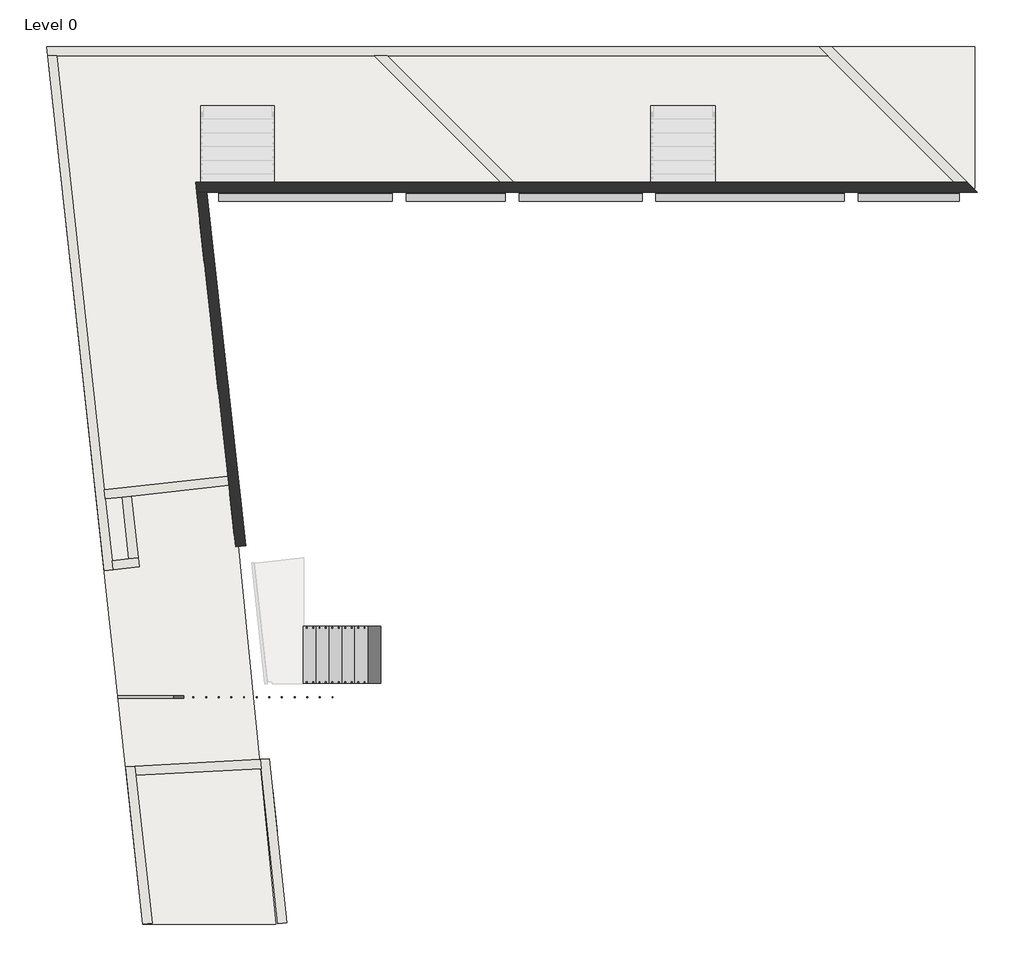
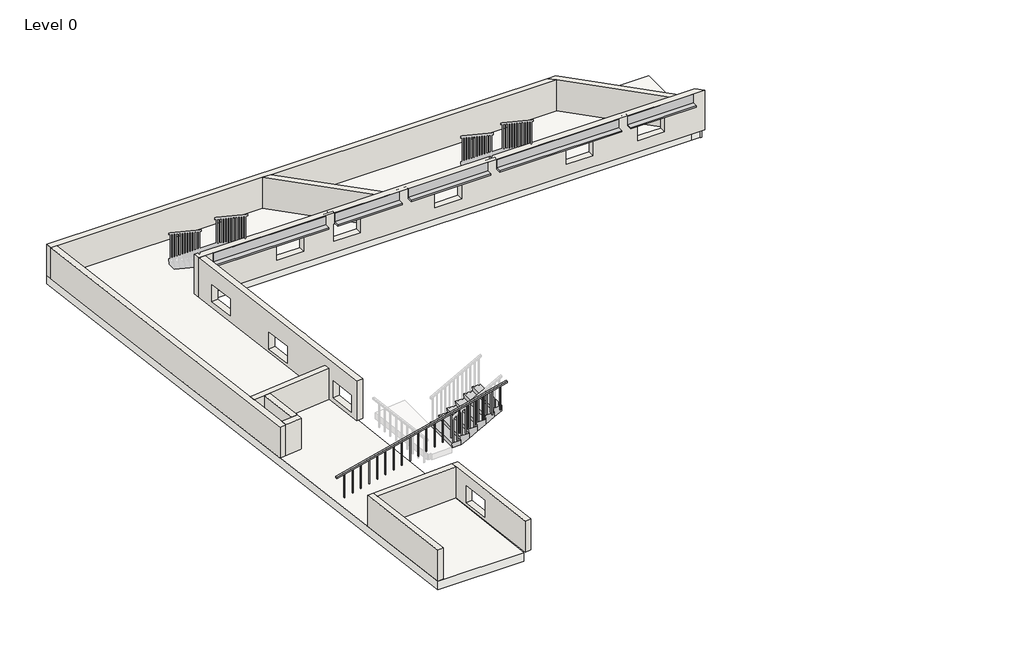
# One storey, part 1 of 2: 12 walls, 5 beams, 1 railing, 1 slab, 1 stair flight.
"""IFC4 building model written with IfcOpenShell, lengths in millimetres."""

from ifc_helpers import new_model, si_unit, frame, origin, origin_with_axes, place, context, project, spatial, polyline, outline, extrude, faceted_brep, element, save

model = new_model("IFC4")

# Units and contexts
model_context = context("Model", 3, world=origin())
ifc_project = project(units=[si_unit("LENGTHUNIT", "METRE", prefix="MILLI")], contexts=[model_context])

# Site, building, storey
site = spatial("IfcSite", under=ifc_project)
building = spatial("IfcBuilding", under=site)
storey = spatial("IfcBuildingStorey", under=building, Name="Level 0", Elevation=0.0)

# Beams
placement = place(None, origin())
element("IfcBeam", 1, ObjectType="Concrete-Rectangular Beam : 350 x 350mm 2", at=placement, inside=storey, context=model_context, shape_type="Brep", body=[
    faceted_brep([(4100.0, 216.0, 1400.0), (-215.5522388, 216.0, 1400.0), (-215.5522388, 56.0, 1400.0), (-175.0, 56.0, 1400.0), (-175.0, 175.0, 1400.0), (175.0, 175.0, 1400.0), (175.0, 41.0, 1400.0), (3953.5, 41.0, 1400.0), (3953.5, 146.0, 1400.0), (4100.0, 146.0, 1400.0), (175.0, -134.0, 1050.0), (3953.5, -134.0, 1050.0), (3953.5, -134.0, 1100.0), (175.0, -134.0, 1100.0), (-215.5522388, 216.0, 1050.0), (4100.0, 216.0, 1050.0), (4100.0, 146.0, 1050.0), (3953.5, 146.0, 1050.0), (175.0, 175.0, 1050.0), (-175.0, 175.0, 1050.0), (-175.0, 56.0, 1050.0), (-215.5522388, 56.0, 1050.0), (175.0, 41.0, 1100.0), (3953.5, 41.0, 1100.0)], [[[0, 1, 2, 3, 4, 5, 6, 7, 8, 9]], [[10, 11, 12, 13]], [[14, 15, 16, 17, 11, 10, 18, 19, 20, 21]], [[1, 0, 15, 14]], [[15, 0, 9, 16]], [[18, 5, 4, 19]], [[5, 18, 10, 13, 22, 6]], [[8, 17, 16, 9]], [[17, 8, 7, 23, 12, 11]], [[1, 14, 21, 2]], [[19, 4, 3, 20]], [[23, 22, 13, 12]], [[22, 23, 7, 6]], [[3, 2, 21, 20]]]),
])
element("IfcBeam", 2, ObjectType="Concrete-Rectangular Beam : 350 x 350mm 2", at=placement, inside=storey, context=model_context, shape_type="Brep", body=[
    faceted_brep([(6580.0, 216.0, 1400.0), (4100.0, 216.0, 1400.0), (4100.0, 146.0, 1400.0), (4253.5, 146.0, 1400.0), (4253.5, 41.0, 1400.0), (6416.0, 41.0, 1400.0), (6416.0, 166.0, 1400.0), (6580.0, 166.0, 1400.0), (4253.5, -134.0, 1050.0), (6416.0, -134.0, 1050.0), (6416.0, -134.0, 1100.0), (4253.5, -134.0, 1100.0), (4100.0, 216.0, 1050.0), (6580.0, 216.0, 1050.0), (6580.0, 166.0, 1050.0), (6416.0, 166.0, 1050.0), (4253.5, 146.0, 1050.0), (4100.0, 146.0, 1050.0), (4253.5, 41.0, 1100.0), (6416.0, 41.0, 1100.0)], [[[0, 1, 2, 3, 4, 5, 6, 7]], [[8, 9, 10, 11]], [[12, 13, 14, 15, 9, 8, 16, 17]], [[1, 0, 13, 12]], [[1, 12, 17, 2]], [[13, 0, 7, 14]], [[16, 3, 2, 17]], [[3, 16, 8, 11, 18, 4]], [[6, 15, 14, 7]], [[15, 6, 5, 19, 10, 9]], [[19, 18, 11, 10]], [[18, 19, 5, 4]]]),
])
element("IfcBeam", 3, ObjectType="Concrete-Rectangular Beam : 350 x 350mm 2", at=placement, inside=storey, context=model_context, shape_type="Brep", body=[
    faceted_brep([(9540.5, 216.0, 1400.0), (6580.0, 216.0, 1400.0), (6580.0, 166.0, 1400.0), (6716.0, 166.0, 1400.0), (6716.0, 41.0, 1400.0), (9390.5, 41.0, 1400.0), (9390.5, 166.0, 1400.0), (9540.5, 166.0, 1400.0), (6716.0, -134.0, 1050.0), (9390.5, -134.0, 1050.0), (9390.5, -134.0, 1100.0), (6716.0, -134.0, 1100.0), (6580.0, 216.0, 1050.0), (9540.5, 216.0, 1050.0), (9540.5, 166.0, 1050.0), (9390.5, 166.0, 1050.0), (6716.0, 166.0, 1050.0), (6580.0, 166.0, 1050.0), (6716.0, 41.0, 1100.0), (9390.5, 41.0, 1100.0)], [[[0, 1, 2, 3, 4, 5, 6, 7]], [[8, 9, 10, 11]], [[12, 13, 14, 15, 9, 8, 16, 17]], [[1, 0, 13, 12]], [[1, 12, 17, 2]], [[13, 0, 7, 14]], [[16, 3, 2, 17]], [[3, 16, 8, 11, 18, 4]], [[6, 15, 14, 7]], [[15, 6, 5, 19, 10, 9]], [[19, 18, 11, 10]], [[18, 19, 5, 4]]]),
])
element("IfcBeam", 4, ObjectType="Concrete-Rectangular Beam : 350 x 350mm 2", at=placement, inside=storey, context=model_context, shape_type="Brep", body=[
    faceted_brep([(13940.5, 216.0, 1400.0), (9540.5, 216.0, 1400.0), (9540.5, 166.0, 1400.0), (9690.5, 166.0, 1400.0), (9690.5, 41.0, 1400.0), (13788.5, 41.0, 1400.0), (13788.5, 146.0, 1400.0), (13940.5, 146.0, 1400.0), (9690.5, -134.0, 1050.0), (13788.5, -134.0, 1050.0), (13788.5, -134.0, 1100.0), (9690.5, -134.0, 1100.0), (9540.5, 216.0, 1050.0), (13940.5, 216.0, 1050.0), (13940.5, 146.0, 1050.0), (13788.5, 146.0, 1050.0), (9690.5, 166.0, 1050.0), (9540.5, 166.0, 1050.0), (9690.5, 41.0, 1100.0), (13788.5, 41.0, 1100.0)], [[[0, 1, 2, 3, 4, 5, 6, 7]], [[8, 9, 10, 11]], [[12, 13, 14, 15, 9, 8, 16, 17]], [[1, 0, 13, 12]], [[1, 12, 17, 2]], [[13, 0, 7, 14]], [[16, 3, 2, 17]], [[3, 16, 8, 11, 18, 4]], [[6, 15, 14, 7]], [[15, 6, 5, 19, 10, 9]], [[19, 18, 11, 10]], [[18, 19, 5, 4]]]),
])
element("IfcBeam", 5, ObjectType="Concrete-Rectangular Beam : 350 x 350mm 2", at=placement, inside=storey, context=model_context, shape_type="Brep", body=[
    faceted_brep([(16434.0, 216.0, 1400.0), (13940.5, 216.0, 1400.0), (13940.5, 146.0, 1400.0), (14088.5, 146.0, 1400.0), (14088.5, 41.0, 1400.0), (16284.0, 41.0, 1400.0), (16284.0, 166.0, 1400.0), (16434.0, 166.0, 1400.0), (14088.5, -134.0, 1050.0), (16284.0, -134.0, 1050.0), (16284.0, -134.0, 1100.0), (14088.5, -134.0, 1100.0), (13940.5, 216.0, 1050.0), (16434.0, 216.0, 1050.0), (16434.0, 166.0, 1050.0), (16284.0, 166.0, 1050.0), (14088.5, 146.0, 1050.0), (13940.5, 146.0, 1050.0), (14088.5, 41.0, 1100.0), (16284.0, 41.0, 1100.0)], [[[0, 1, 2, 3, 4, 5, 6, 7]], [[8, 9, 10, 11]], [[12, 13, 14, 15, 9, 8, 16, 17]], [[1, 0, 13, 12]], [[1, 12, 17, 2]], [[13, 0, 7, 14]], [[16, 3, 2, 17]], [[3, 16, 8, 11, 18, 4]], [[6, 15, 14, 7]], [[15, 6, 5, 19, 10, 9]], [[19, 18, 11, 10]], [[18, 19, 5, 4]]]),
])

# Railing
element("IfcRailing", 6, ObjectType="900mm", at=placement, inside=storey, context=model_context, shape_type="SweptSolid", body=[
    extrude(outline(polyline([(900.0, -2020.7492582), (848.5251424, -2020.7492582), (2248.5251424, 3701.1968697), (2300.0, 3701.1968697), (900.0, -2020.7492582)])), frame((0.0, -10948.3406474, 0.0), z_axis=(0.0, 1.0, 0.0), x_axis=(0.0, 0.0, 1.0)), (0.0, 0.0, 1.0), 50.0),
    extrude(outline(polyline([(2191.7744195, 3469.2507418), (1345.6959971, 3469.2507418), (1345.6959971, 3489.2507418), (2196.6678595, 3489.2507418), (2191.7744195, 3469.2507418)])), frame((0.0, -10933.3406474, 0.0), z_axis=(0.0, 1.0, 0.0), x_axis=(0.0, 0.0, 1.0)), (0.0, 0.0, 1.0), 20.0),
    extrude(outline(polyline([(2124.4896196, 3194.2507418), (1278.4111973, 3194.2507418), (1278.4111973, 3214.2507418), (2129.3830596, 3214.2507418), (2124.4896196, 3194.2507418)])), frame((0.0, -10933.3406474, 0.0), z_axis=(0.0, 1.0, 0.0), x_axis=(0.0, 0.0, 1.0)), (0.0, 0.0, 1.0), 20.0),
    extrude(outline(polyline([(2057.2048198, 2919.2507418), (1211.1263974, 2919.2507418), (1211.1263974, 2939.2507418), (2062.0982598, 2939.2507418), (2057.2048198, 2919.2507418)])), frame((0.0, -10933.3406474, 0.0), z_axis=(0.0, 1.0, 0.0), x_axis=(0.0, 0.0, 1.0)), (0.0, 0.0, 1.0), 20.0),
    extrude(outline(polyline([(1989.9200199, 2644.2507418), (1143.8415975, 2644.2507418), (1143.8415975, 2664.2507418), (1994.8134599, 2664.2507418), (1989.9200199, 2644.2507418)])), frame((0.0, -10933.3406474, 0.0), z_axis=(0.0, 1.0, 0.0), x_axis=(0.0, 0.0, 1.0)), (0.0, 0.0, 1.0), 20.0),
    extrude(outline(polyline([(1922.6352201, 2369.2507418), (1076.5567977, 2369.2507418), (1076.5567977, 2389.2507418), (1927.5286601, 2389.2507418), (1922.6352201, 2369.2507418)])), frame((0.0, -10933.3406474, 0.0), z_axis=(0.0, 1.0, 0.0), x_axis=(0.0, 0.0, 1.0)), (0.0, 0.0, 1.0), 20.0),
    extrude(outline(polyline([(1855.3504202, 2094.2507418), (1009.2719978, 2094.2507418), (1009.2719978, 2114.2507418), (1860.2438602, 2114.2507418), (1855.3504202, 2094.2507418)])), frame((0.0, -10933.3406474, 0.0), z_axis=(0.0, 1.0, 0.0), x_axis=(0.0, 0.0, 1.0)), (0.0, 0.0, 1.0), 20.0),
    extrude(outline(polyline([(1788.0656204, 1819.2507418), (941.987198, 1819.2507418), (941.987198, 1839.2507418), (1792.9590603, 1839.2507418), (1788.0656204, 1819.2507418)])), frame((0.0, -10933.3406474, 0.0), z_axis=(0.0, 1.0, 0.0), x_axis=(0.0, 0.0, 1.0)), (0.0, 0.0, 1.0), 20.0),
    extrude(outline(polyline([(1720.7808205, 1544.2507418), (874.7023981, 1544.2507418), (874.7023981, 1564.2507418), (1725.6742605, 1564.2507418), (1720.7808205, 1544.2507418)])), frame((0.0, -10933.3406474, 0.0), z_axis=(0.0, 1.0, 0.0), x_axis=(0.0, 0.0, 1.0)), (0.0, 0.0, 1.0), 20.0),
    extrude(outline(polyline([(1653.4960206, 1269.2507418), (807.4175983, 1269.2507418), (807.4175983, 1289.2507418), (1658.3894606, 1289.2507418), (1653.4960206, 1269.2507418)])), frame((0.0, -10933.3406474, 0.0), z_axis=(0.0, 1.0, 0.0), x_axis=(0.0, 0.0, 1.0)), (0.0, 0.0, 1.0), 20.0),
    extrude(outline(polyline([(1586.2112208, 994.2507418), (740.1327984, 994.2507418), (740.1327984, 1014.2507418), (1591.1046608, 1014.2507418), (1586.2112208, 994.2507418)])), frame((0.0, -10933.3406474, 0.0), z_axis=(0.0, 1.0, 0.0), x_axis=(0.0, 0.0, 1.0)), (0.0, 0.0, 1.0), 20.0),
    extrude(outline(polyline([(1518.9264209, 719.2507418), (672.8479986, 719.2507418), (672.8479986, 739.2507418), (1523.8198609, 739.2507418), (1518.9264209, 719.2507418)])), frame((0.0, -10933.3406474, 0.0), z_axis=(0.0, 1.0, 0.0), x_axis=(0.0, 0.0, 1.0)), (0.0, 0.0, 1.0), 20.0),
    extrude(outline(polyline([(1451.6416211, 444.2507418), (605.5631987, 444.2507418), (605.5631987, 464.2507418), (1456.5350611, 464.2507418), (1451.6416211, 444.2507418)])), frame((0.0, -10933.3406474, 0.0), z_axis=(0.0, 1.0, 0.0), x_axis=(0.0, 0.0, 1.0)), (0.0, 0.0, 1.0), 20.0),
    extrude(outline(polyline([(1384.3568212, 169.2507418), (538.2783988, 169.2507418), (538.2783988, 189.2507418), (1389.2502612, 189.2507418), (1384.3568212, 169.2507418)])), frame((0.0, -10933.3406474, 0.0), z_axis=(0.0, 1.0, 0.0), x_axis=(0.0, 0.0, 1.0)), (0.0, 0.0, 1.0), 20.0),
    extrude(outline(polyline([(1317.0720214, -105.7492582), (470.993599, -105.7492582), (470.993599, -85.7492582), (1321.9654614, -85.7492582), (1317.0720214, -105.7492582)])), frame((0.0, -10933.3406474, 0.0), z_axis=(0.0, 1.0, 0.0), x_axis=(0.0, 0.0, 1.0)), (0.0, 0.0, 1.0), 20.0),
    extrude(outline(polyline([(1249.7872215, -380.7492582), (403.7087991, -380.7492582), (403.7087991, -360.7492582), (1254.6806615, -360.7492582), (1249.7872215, -380.7492582)])), frame((0.0, -10933.3406474, 0.0), z_axis=(0.0, 1.0, 0.0), x_axis=(0.0, 0.0, 1.0)), (0.0, 0.0, 1.0), 20.0),
    extrude(outline(polyline([(1182.5024217, -655.7492582), (336.4239993, -655.7492582), (336.4239993, -635.7492582), (1187.3958616, -635.7492582), (1182.5024217, -655.7492582)])), frame((0.0, -10933.3406474, 0.0), z_axis=(0.0, 1.0, 0.0), x_axis=(0.0, 0.0, 1.0)), (0.0, 0.0, 1.0), 20.0),
    extrude(outline(polyline([(1115.2176218, -930.7492582), (269.1391994, -930.7492582), (269.1391994, -910.7492582), (1120.1110618, -910.7492582), (1115.2176218, -930.7492582)])), frame((0.0, -10933.3406474, 0.0), z_axis=(0.0, 1.0, 0.0), x_axis=(0.0, 0.0, 1.0)), (0.0, 0.0, 1.0), 20.0),
    extrude(outline(polyline([(1047.9328219, -1205.7492582), (201.8543996, -1205.7492582), (201.8543996, -1185.7492582), (1052.8262619, -1185.7492582), (1047.9328219, -1205.7492582)])), frame((0.0, -10933.3406474, 0.0), z_axis=(0.0, 1.0, 0.0), x_axis=(0.0, 0.0, 1.0)), (0.0, 0.0, 1.0), 20.0),
    extrude(outline(polyline([(980.6480221, -1480.7492582), (134.5695997, -1480.7492582), (134.5695997, -1460.7492582), (985.5414621, -1460.7492582), (980.6480221, -1480.7492582)])), frame((0.0, -10933.3406474, 0.0), z_axis=(0.0, 1.0, 0.0), x_axis=(0.0, 0.0, 1.0)), (0.0, 0.0, 1.0), 20.0),
    extrude(outline(polyline([(913.3632222, -1755.7492582), (67.2847999, -1755.7492582), (67.2847999, -1735.7492582), (918.2566622, -1735.7492582), (913.3632222, -1755.7492582)])), frame((0.0, -10933.3406474, 0.0), z_axis=(0.0, 1.0, 0.0), x_axis=(0.0, 0.0, 1.0)), (0.0, 0.0, 1.0), 20.0),
])

# Slab
element("IfcSlab", 7, ObjectType="Generic 300mm", at=placement, inside=storey, context=model_context, shape_type="Brep", body=[
    faceted_brep([(16631.2367559, 3229.9939937, -300.0), (16631.2367559, 149.4485098, -300.0), (16584.0, 149.4485098, -300.0), (16584.0, 166.0, -300.0), (16284.0, 166.0, -300.0), (16284.0, 150.1158561, -300.0), (9690.5, 150.1158561, -300.0), (9390.5, 150.1158561, -300.0), (6716.0, 150.1158561, -300.0), (6416.0, 150.1158561, -300.0), (175.0, 150.1158561, -300.0), (-175.0, 150.1158561, -300.0), (-175.0, -175.0, -300.0), (-133.5, -175.0, -300.0), (1422.0527306, -15866.0874561, -300.0), (-1469.4398881, -15866.0874561, -300.0), (-3566.8990853, 3229.9939937, -300.0), (16631.2367559, 3229.9939937, 0.0), (-3566.8990853, 3229.9939937, 0.0), (-1469.4398881, -15866.0874561, 0.0), (1422.0527306, -15866.0874561, 0.0), (-133.5, -175.0, 0.0), (-175.0, -175.0, 0.0), (-175.0, 56.0, 0.0), (-175.0, 150.1158561, 0.0), (175.0, 150.1158561, 0.0), (6416.0, 150.1158561, 0.0), (6716.0, 150.1158561, 0.0), (9390.5, 150.1158561, 0.0), (9690.5, 150.1158561, 0.0), (16284.0, 150.1158561, 0.0), (16284.0, 166.0, 0.0), (16584.0, 166.0, 0.0), (16584.0, 149.4485098, 0.0), (16631.2367559, 149.4485098, 0.0)], [[[0, 1, 2, 3, 4, 5, 6, 7, 8, 9, 10, 11, 12, 13, 14, 15, 16]], [[17, 18, 19, 20, 21, 22, 23, 24, 25, 26, 27, 28, 29, 30, 31, 32, 33, 34]], [[1, 0, 17, 34]], [[2, 1, 34, 33]], [[3, 2, 33, 32]], [[4, 3, 32, 31]], [[5, 4, 31, 30]], [[11, 10, 9, 8, 7, 6, 5, 30, 29, 28, 27, 26, 25, 24]], [[12, 11, 24, 23, 22]], [[13, 12, 22, 21]], [[14, 13, 21, 20]], [[15, 14, 20, 19]], [[16, 15, 19, 18]], [[0, 16, 18, 17]]]),
])

# Stair flight
element("IfcStairFlight", 8, ObjectType="25 mm Nosing", at=placement, inside=storey, context=model_context, shape_type="Brep", body=[
    faceted_brep([(2021.1968697, -10623.3406474, 482.8571429), (2021.1968697, -9385.2097641, 482.8571429), (2046.1968697, -9385.2097641, 330.0), (2046.1968697, -10623.3406474, 330.0), (2326.1968697, -10623.3406474, 482.8571429), (2326.1968697, -9385.2097641, 482.8571429), (2326.1968697, -9385.2097641, 330.0), (2326.1968697, -10623.3406474, 330.0), (2301.1968697, -9385.2097641, 635.7142857), (2301.1968697, -10623.3406474, 635.7142857), (2606.1968697, -10623.3406474, 635.7142857), (2606.1968697, -9385.2097641, 635.7142857), (2606.1968697, -9385.2097641, 464.8178129), (2359.2408761, -9385.2097641, 330.0), (2359.2408761, -10623.3406474, 330.0), (2606.1968697, -10623.3406474, 464.8178129), (2581.1968697, -9385.2097641, 788.5714286), (2581.1968697, -10623.3406474, 788.5714286), (2886.1968697, -10623.3406474, 788.5714286), (2886.1968697, -9385.2097641, 788.5714286), (2886.1968697, -9385.2097641, 617.6749557), (2886.1968697, -10623.3406474, 617.6749557), (2861.1968697, -9385.2097641, 941.4285714), (2861.1968697, -10623.3406474, 941.4285714), (3166.1968697, -10623.3406474, 941.4285714), (3166.1968697, -9385.2097641, 941.4285714), (3166.1968697, -9385.2097641, 770.5320986), (3166.1968697, -10623.3406474, 770.5320986), (3141.1968697, -9385.2097641, 1094.2857143), (3141.1968697, -10623.3406474, 1094.2857143), (3446.1968697, -10623.3406474, 1094.2857143), (3446.1968697, -9385.2097641, 1094.2857143), (3446.1968697, -9385.2097641, 923.3892414), (3446.1968697, -10623.3406474, 923.3892414), (3421.1968697, -9385.2097641, 1247.1428571), (3421.1968697, -10623.3406474, 1247.1428571), (3701.1968697, -10623.3406474, 1247.1428571), (3701.1968697, -9385.2097641, 1247.1428571), (3701.1968697, -9385.2097641, 1062.5984251), (3701.1968697, -10623.3406474, 1062.5984251)], [[[0, 1, 2, 3]], [[1, 0, 4, 5]], [[1, 5, 6, 2]], [[4, 0, 3, 7]], [[8, 9, 10, 11]], [[6, 5, 8, 11, 12, 13]], [[4, 7, 14, 15, 10, 9]], [[5, 4, 9, 8]], [[16, 17, 18, 19]], [[16, 19, 20, 12, 11]], [[18, 17, 10, 15, 21]], [[11, 10, 17, 16]], [[22, 23, 24, 25]], [[22, 25, 26, 20, 19]], [[24, 23, 18, 21, 27]], [[19, 18, 23, 22]], [[28, 29, 30, 31]], [[28, 31, 32, 26, 25]], [[30, 29, 24, 27, 33]], [[25, 24, 29, 28]], [[34, 35, 36, 37]], [[34, 37, 38, 32, 31]], [[36, 35, 30, 33, 39]], [[37, 36, 39, 38]], [[31, 30, 35, 34]], [[2, 6, 13, 14, 7, 3]], [[14, 13, 12, 20, 26, 32, 38, 39, 33, 27, 21, 15]]]),
])

# Walls
element("IfcWall", 9, ObjectType="Generic - 200mm", at=placement, inside=storey, context=model_context, shape_type="Brep", body=[
    faceted_brep([(16465.4213562, 276.0, 0.0), (13511.4273625, 3229.9939937, 0.0), (13511.4273625, 3229.9939937, 1100.0), (16465.4213562, 276.0, 1100.0), (16182.5786438, 276.0, 0.0), (16182.5786438, 276.0, 1100.0), (13428.5846501, 3029.9939937, 1100.0), (13228.5846501, 3229.9939937, 1100.0), (13228.5846501, 3229.9939937, 0.0), (13428.5846501, 3029.9939937, 0.0)], [[[0, 1, 2, 3]], [[4, 5, 6, 7, 8, 9]], [[1, 0, 4, 9, 8]], [[3, 2, 7, 6, 5]], [[0, 3, 5, 4]], [[2, 1, 8, 7]]]),
])
element("IfcWall", 10, ObjectType="Generic - 200mm", at=placement, inside=storey, context=model_context, shape_type="Brep", body=[
    faceted_brep([(13228.5846501, 3229.9939937, 0.0), (-3566.8990853, 3229.9939937, 0.0), (-3566.8990853, 3229.9939937, 1100.0), (13228.5846501, 3229.9939937, 1100.0), (13428.5846501, 3029.9939937, 0.0), (13428.5846501, 3029.9939937, 1100.0), (3843.4273625, 3029.9939937, 1100.0), (3560.5846501, 3029.9939937, 1100.0), (-3343.7288518, 3029.9939937, 1100.0), (-3544.9316549, 3029.9939937, 1100.0), (-3544.9316549, 3029.9939937, 0.0), (-3343.7288518, 3029.9939937, 0.0), (3560.5846501, 3029.9939937, 0.0), (3843.4273625, 3029.9939937, 0.0)], [[[0, 1, 2, 3]], [[4, 5, 6, 7, 8, 9, 10, 11, 12, 13]], [[1, 0, 4, 13, 12, 11, 10]], [[3, 2, 9, 8, 7, 6, 5]], [[0, 3, 5, 4]], [[2, 1, 10, 9]]]),
])
element("IfcWall", 11, ObjectType="Generic - 200mm", at=placement, inside=storey, context=model_context, shape_type="Brep", body=[
    faceted_brep([(-3544.9316549, 3029.9939937, 0.0), (-2314.1603185, -8175.4252673, 0.0), (-2314.1603185, -8175.4252673, 1100.0), (-3544.9316549, 3029.9939937, 1100.0), (-3343.7288518, 3029.9939937, 0.0), (-3343.7288518, 3029.9939937, 1100.0), (-2306.4218733, -6414.050771, 1100.0), (-2284.5857656, -6612.8551583, 1100.0), (-2137.1920389, -7954.7847724, 1100.0), (-2115.3559312, -8153.5891597, 1100.0), (-2115.3559312, -8153.5891597, 0.0), (-2137.1920389, -7954.7847724, 0.0), (-2284.5857656, -6612.8551583, 0.0), (-2306.4218733, -6414.050771, 0.0)], [[[0, 1, 2, 3]], [[4, 5, 6, 7, 8, 9, 10, 11, 12, 13]], [[1, 0, 4, 13, 12, 11, 10]], [[3, 2, 9, 8, 7, 6, 5]], [[0, 3, 5, 4]], [[2, 1, 10, 9]]]),
])
element("IfcWall", 12, ObjectType="Generic - 200mm", at=placement, inside=storey, context=model_context, shape_type="SweptSolid", body=[
    extrude(outline(polyline([(3843.4273625, 3029.9939937), (6597.4213562, 276.0), (6314.5786438, 276.0), (3560.5846501, 3029.9939937), (3843.4273625, 3029.9939937)])), origin_with_axes(), (0.0, 0.0, 1.0), 1100.0),
])
element("IfcWall", 13, ObjectType="Generic - 200mm", at=placement, inside=storey, context=model_context, shape_type="Brep", body=[
    faceted_brep([(-2115.3559312, -8153.5891597, 0.0), (-1554.2097486, -8091.9544612, 0.0), (-1554.2097486, -8091.9544612, 1100.0), (-2115.3559312, -8153.5891597, 1100.0), (-2137.1920389, -7954.7847724, 0.0), (-2137.1920389, -7954.7847724, 1100.0), (-1774.8502436, -7914.9861816, 1100.0), (-1576.0458563, -7893.150074, 1100.0), (-1576.0458563, -7893.150074, 0.0), (-1774.8502436, -7914.9861816, 0.0)], [[[0, 1, 2, 3]], [[4, 5, 6, 7, 8, 9]], [[1, 0, 4, 9, 8]], [[3, 2, 7, 6, 5]], [[2, 1, 8, 7]], [[0, 3, 5, 4]]]),
])
element("IfcWall", 14, ObjectType="Generic - 200mm", at=placement, inside=storey, context=model_context, shape_type="SweptSolid", body=[
    extrude(outline(polyline([(-1723.439583, -6551.2204598), (-1576.0458563, -7893.150074), (-1774.8502436, -7914.9861816), (-1922.2439703, -6573.0565675), (-1723.439583, -6551.2204598)])), origin_with_axes(), (0.0, 0.0, 1.0), 1100.0),
])
element("IfcWall", 15, ObjectType="Generic - 200mm", at=placement, inside=storey, context=model_context, shape_type="Brep", body=[
    faceted_brep([(376.2381942, -6119.3950299, 0.0), (-2306.4218733, -6414.050771, 0.0), (-2306.4218733, -6414.050771, 1100.0), (376.2381942, -6119.3950299, 1100.0), (398.0743019, -6318.1994172, 0.0), (398.0743019, -6318.1994172, 1100.0), (-1723.439583, -6551.2204598, 1100.0), (-1922.2439703, -6573.0565675, 1100.0), (-2284.5857656, -6612.8551583, 1100.0), (-2284.5857656, -6612.8551583, 0.0), (-1922.2439703, -6573.0565675, 0.0), (-1723.439583, -6551.2204598, 0.0)], [[[0, 1, 2, 3]], [[4, 5, 6, 7, 8, 9, 10, 11]], [[1, 0, 4, 11, 10, 9]], [[3, 2, 8, 7, 6, 5]], [[2, 1, 9, 8]], [[0, 3, 5, 4]]]),
])
element("IfcWall", 16, ObjectType="Generic - 200mm", at=placement, inside=storey, context=model_context, shape_type="Brep", body=[
    faceted_brep([(-1270.6355009, -15844.2513484, 0.0), (-1623.9248419, -12627.7682619, 0.0), (-1645.7927652, -12428.6742126, 0.0), (-1645.7927652, -12428.6742126, 1100.0), (-1623.9248419, -12627.7682619, 1100.0), (-1270.6355009, -15844.2513484, 1100.0), (-1469.4398881, -15866.0874561, 0.0), (-1469.4398881, -15866.0874561, 1100.0), (-1845.7763353, -12439.7745833, 1100.0), (-1845.7763353, -12439.7745833, 0.0)], [[[0, 1, 2, 3, 4, 5]], [[6, 7, 8, 9]], [[2, 1, 0, 6, 9]], [[5, 4, 3, 8, 7]], [[0, 5, 7, 6]], [[3, 2, 9, 8]]]),
])
element("IfcWall", 17, ObjectType="Generic - 200mm", at=placement, inside=storey, context=model_context, shape_type="SweptSolid", body=[
    extrude(outline(polyline([(1099.1726935, -12476.6188852), (-1623.9248419, -12627.7682619), (-1645.7927652, -12428.6742126), (1077.6367463, -12277.5064091), (1099.1726935, -12476.6188852)])), origin_with_axes(), (0.0, 0.0, 1.0), 1100.0),
])
element("IfcWall", 18, ObjectType="Generic - 200mm", at=placement, inside=storey, context=model_context, shape_type="Brep", body=[
    faceted_brep([(1077.6367463, -12277.5064091, 0.0), (1099.1726935, -12476.6188852, 0.0), (1464.9367566, -15858.322406, 0.0), (1464.9367566, -15858.322406, 1100.0), (1099.1726935, -12476.6188852, 1100.0), (1077.6367463, -12277.5064091, 1100.0), (1249.8716561, -13869.9192773, 713.4496521), (1249.8716561, -13869.9192773, 113.4496521), (1153.0923609, -12975.1378693, 113.4496521), (1153.0923609, -12975.1378693, 713.4496521), (1277.60269, -12266.4070168, 0.0), (1277.60269, -12266.4070168, 1100.0), (1663.7770695, -15836.815896, 1100.0), (1663.7770695, -15836.815896, 0.0), (1448.711969, -13848.4127672, 713.4496521), (1351.9326738, -12953.6313592, 713.4496521), (1351.9326738, -12953.6313592, 113.4496521), (1448.711969, -13848.4127672, 113.4496521)], [[[0, 1, 2, 3, 4, 5], [6, 7, 8, 9]], [[10, 11, 12, 13], [14, 15, 16, 17]], [[2, 1, 0, 10, 13]], [[3, 2, 13, 12]], [[5, 4, 3, 12, 11]], [[0, 5, 11, 10]], [[7, 6, 14, 17]], [[8, 7, 17, 16]], [[9, 8, 16, 15]], [[6, 9, 15, 14]]]),
])
element("IfcWall", 19, ObjectType="Generic - 220mm 2", at=placement, inside=storey, context=model_context, shape_type="Brep", body=[
    faceted_brep([(-302.0496071, 56.0, 0.0), (16685.4213562, 56.0, 0.0), (16685.4213562, 56.0, 1400.0), (6567.9113499, 56.0, 1400.0), (3902.9313453, 56.0, 1400.0), (-302.0496071, 56.0, 1400.0), (2326.2585877, 56.0, 400.0), (2326.2585877, 56.0, 1000.0), (3226.2585877, 56.0, 1000.0), (3226.2585877, 56.0, 400.0), (4226.2585877, 56.0, 400.0), (4226.2585877, 56.0, 1000.0), (5126.2585877, 56.0, 1000.0), (5126.2585877, 56.0, 400.0), (7626.2585877, 56.0, 400.0), (7626.2585877, 56.0, 1000.0), (8526.2585877, 56.0, 1000.0), (8526.2585877, 56.0, 400.0), (12026.2585877, 56.0, 400.0), (12026.2585877, 56.0, 1000.0), (12926.2585877, 56.0, 1000.0), (12926.2585877, 56.0, 400.0), (14426.2585877, 56.0, 400.0), (14426.2585877, 56.0, 1000.0), (15326.2585877, 56.0, 1000.0), (15326.2585877, 56.0, 400.0), (16465.4213562, 276.0, 0.0), (16182.5786438, 276.0, 0.0), (6597.4213562, 276.0, 0.0), (6314.5786438, 276.0, 0.0), (-326.2137805, 276.0, 0.0), (-326.2137805, 276.0, 1400.0), (3902.9313453, 276.0, 1400.0), (6347.9113499, 276.0, 1400.0), (16465.4213562, 276.0, 1400.0), (16465.4213562, 276.0, 1100.0), (2326.2585877, 276.0, 1000.0), (2326.2585877, 276.0, 400.0), (3226.2585877, 276.0, 400.0), (3226.2585877, 276.0, 1000.0), (4226.2585877, 276.0, 1000.0), (4226.2585877, 276.0, 400.0), (5126.2585877, 276.0, 400.0), (5126.2585877, 276.0, 1000.0), (7626.2585877, 276.0, 1000.0), (7626.2585877, 276.0, 400.0), (8526.2585877, 276.0, 400.0), (8526.2585877, 276.0, 1000.0), (12026.2585877, 276.0, 1000.0), (12026.2585877, 276.0, 400.0), (12926.2585877, 276.0, 400.0), (12926.2585877, 276.0, 1000.0), (14426.2585877, 276.0, 1000.0), (14426.2585877, 276.0, 400.0), (15326.2585877, 276.0, 400.0), (15326.2585877, 276.0, 1000.0)], [[[0, 1, 2, 3, 4, 5], [6, 7, 8, 9], [10, 11, 12, 13], [14, 15, 16, 17], [18, 19, 20, 21], [22, 23, 24, 25]], [[26, 27, 28, 29, 30, 31, 32, 33, 34, 35], [36, 37, 38, 39], [40, 41, 42, 43], [44, 45, 46, 47], [48, 49, 50, 51], [52, 53, 54, 55]], [[1, 0, 30, 29, 28, 27, 26]], [[5, 4, 3, 2, 34, 33, 32, 31]], [[0, 5, 31, 30]], [[2, 1, 26, 35, 34]], [[6, 37, 36, 7]], [[37, 6, 9, 38]], [[38, 9, 8, 39]], [[10, 41, 40, 11]], [[41, 10, 13, 42]], [[42, 13, 12, 43]], [[14, 45, 44, 15]], [[45, 14, 17, 46]], [[46, 17, 16, 47]], [[18, 49, 48, 19]], [[49, 18, 21, 50]], [[50, 21, 20, 51]], [[52, 23, 22, 53]], [[53, 22, 25, 54]], [[54, 25, 24, 55]], [[7, 36, 39, 8]], [[11, 40, 43, 12]], [[15, 44, 47, 16]], [[19, 48, 51, 20]], [[23, 52, 55, 24]]]),
])
element("IfcWall", 20, ObjectType="Generic - 220mm 2", at=placement, inside=storey, context=model_context, shape_type="Brep", body=[
    faceted_brep([(-302.0496071, 56.0, 0.0), (545.0215693, -7656.0642928, 0.0), (545.0215693, -7656.0642928, 1400.0), (-302.0496071, 56.0, 1400.0), (-132.7881593, -1485.0218226, 818.6593265), (-132.7881593, -1485.0218226, 218.6593265), (-231.0506438, -590.4020798, 218.6593265), (-231.0506438, -590.4020798, 818.6593265), (172.917348, -4268.2832445, 717.0620215), (172.917348, -4268.2832445, 117.0620215), (74.6548635, -3373.6635017, 117.0620215), (74.6548635, -3373.6635017, 717.0620215), (517.7264348, -7407.5588087, 772.1458267), (517.7264348, -7407.5588087, 172.1458267), (419.4639503, -6512.9390659, 172.1458267), (419.4639503, -6512.9390659, 772.1458267), (-80.7265237, 56.0, 0.0), (-80.7265237, 56.0, 1400.0), (-55.3541416, -175.0, 1400.0), (432.598536, -4617.5102941, 1400.0), (455.478602, -4825.8192832, 1400.0), (470.8120432, -4965.4208746, 1400.0), (763.7063953, -7632.0445744, 1400.0), (763.7063953, -7632.0445744, 0.0), (470.8120432, -4965.4208746, 0.0), (432.598536, -4617.5102941, 0.0), (-55.3541416, -175.0, 0.0), (85.8966667, -1461.0021041, 818.6593265), (-12.3658178, -566.3823614, 818.6593265), (-12.3658178, -566.3823614, 218.6593265), (85.8966667, -1461.0021041, 218.6593265), (391.602174, -4244.2635261, 717.0620215), (293.3396896, -3349.6437833, 717.0620215), (293.3396896, -3349.6437833, 117.0620215), (391.602174, -4244.2635261, 117.0620215), (736.4112608, -7383.5390903, 772.1458267), (638.1487763, -6488.9193475, 772.1458267), (638.1487763, -6488.9193475, 172.1458267), (736.4112608, -7383.5390903, 172.1458267), (-175.0, 56.0, 0.0), (-175.0, 56.0, 1400.0), (-215.5522388, 56.0, 1400.0)], [[[0, 1, 2, 3], [4, 5, 6, 7], [8, 9, 10, 11], [12, 13, 14, 15]], [[16, 17, 18, 19, 20, 21, 22, 23, 24, 25, 26], [27, 28, 29, 30], [31, 32, 33, 34], [35, 36, 37, 38]], [[1, 0, 39, 16, 26, 25, 24, 23]], [[2, 1, 23, 22]], [[3, 2, 22, 21, 20, 19, 18, 17, 40, 41]], [[0, 3, 41, 40, 17, 16, 39]], [[5, 4, 27, 30]], [[6, 5, 30, 29]], [[7, 6, 29, 28]], [[4, 7, 28, 27]], [[9, 8, 31, 34]], [[10, 9, 34, 33]], [[11, 10, 33, 32]], [[8, 11, 32, 31]], [[13, 12, 35, 38]], [[14, 13, 38, 37]], [[15, 14, 37, 36]], [[12, 15, 36, 35]]]),
])

save(model, "model.ifc")
